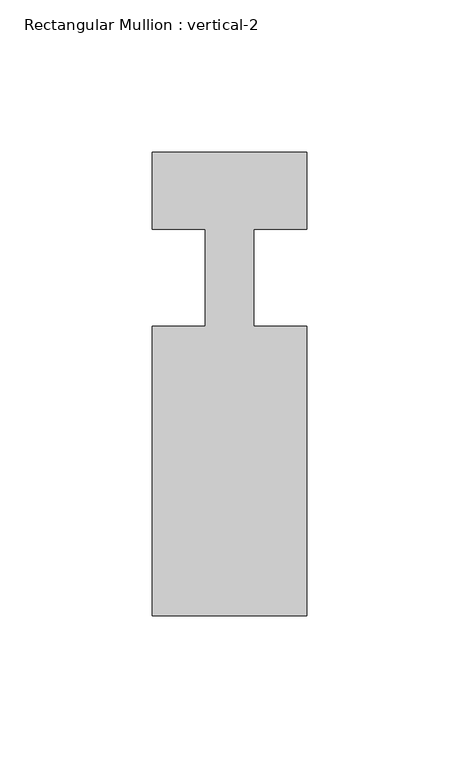
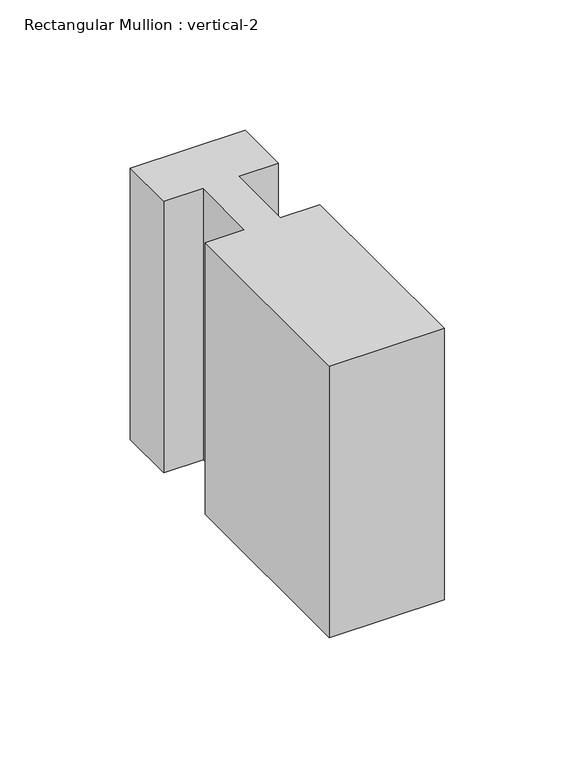
"""IFC4 building model written with IfcOpenShell, lengths in millimetres: member geometry, Rectangular Mullion : vertical-2."""

from ifc_helpers import new_model, si_unit, frame, origin, place, context, project, spatial, polyline, outline, extrude, source, transform, mapped, element, save


def rectangular_mullion_vertical_2_e5916ab3(model_context):
    return source(origin(), model_context, "Body", "SweptSolid", [
        extrude(outline(polyline([(25.4, -146.05), (-25.4, -146.05), (-25.4, -50.8), (-7.9502, -50.8), (-7.9502, -19.05), (-25.4, -19.05), (-25.4, 6.35), (25.4, 6.35), (25.4, -19.05), (7.9502, -19.05), (7.9502, -50.8), (25.4, -50.8), (25.4, -146.05)])), frame((0.0, 0.0, -127.0), z_axis=(0.0, 0.0, 1.0), x_axis=(1.0, 0.0, 0.0)), (0.0, 0.0, 1.0), 127.0),
    ])


if __name__ == "__main__":
    model = new_model("IFC4")
    model_context = context("Model", 3, world=origin())
    ifc_project = project(units=[si_unit("LENGTHUNIT", "METRE", prefix="MILLI")], contexts=[model_context])
    site = spatial("IfcSite", under=ifc_project)
    building = spatial("IfcBuilding", under=site)
    placement = place(None, origin())
    rectangular_mullion_vertical_2_shape = rectangular_mullion_vertical_2_e5916ab3(model_context)
    element("IfcMember", 1, ObjectType="Rectangular Mullion : vertical-2", at=placement, inside=building, context=model_context, shape_type="MappedRepresentation", body=[
        mapped(rectangular_mullion_vertical_2_shape, transform((0.0, 0.0, 0.0), x_axis=(1.0, 0.0, 0.0), y_axis=(0.0, 1.0, 0.0), z_axis=(0.0, 0.0, 1.0))),
    ])
    save(model, "model.ifc")
